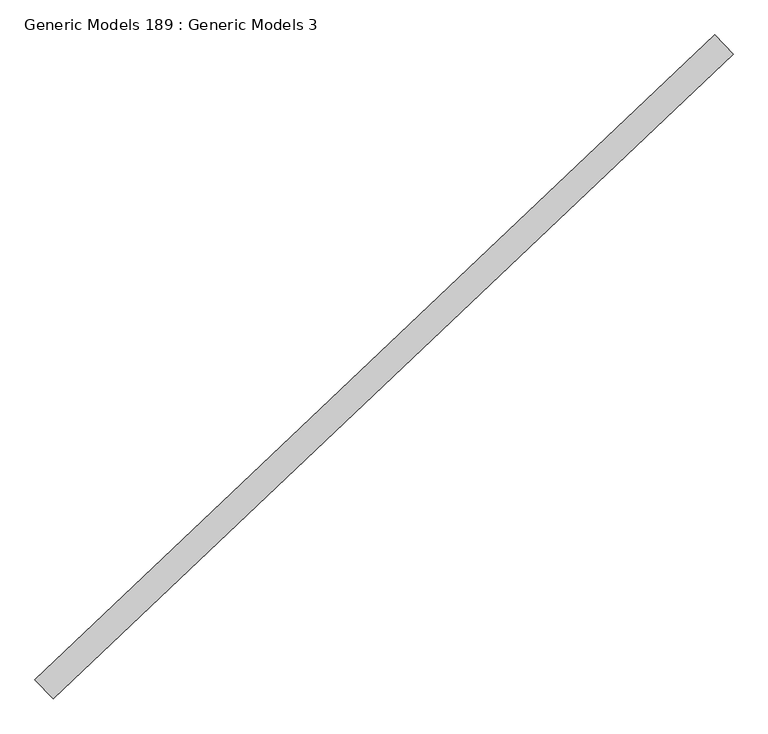
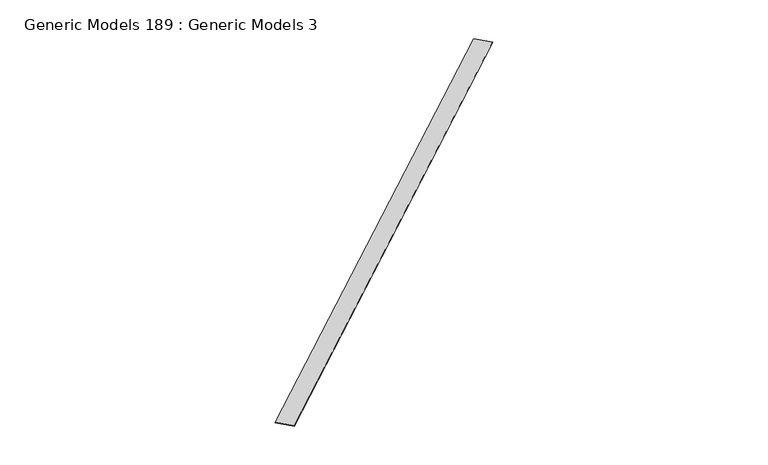
"""IFC4 building model written with IfcOpenShell, lengths in millimetres: proxy geometry, Generic Models 189 : Generic Models 3."""

from ifc_helpers import new_model, si_unit, frame, origin, place, context, project, spatial, polyline, outline, extrude, source, transform, mapped, element, save


def generic_models_189_generic_models_3_72cc2f96(model_context):
    return source(origin(), model_context, "Body", "SweptSolid", [
        extrude(outline(polyline([(111545.1799722, 51465.3870343), (111633.6602493, 51372.1482768), (108347.1884522, 48253.4029918), (108258.7081751, 48346.6417493), (111545.1799722, 51465.3870343)])), frame((0.0, 0.0, 18013.9173111), z_axis=(0.0, 0.0, 1.0), x_axis=(1.0, 0.0, 0.0)), (0.0, 0.0, 1.0), 3.3689262),
    ])


if __name__ == "__main__":
    model = new_model("IFC4")
    model_context = context("Model", 3, world=origin())
    ifc_project = project(units=[si_unit("LENGTHUNIT", "METRE", prefix="MILLI")], contexts=[model_context])
    site = spatial("IfcSite", under=ifc_project)
    building = spatial("IfcBuilding", under=site)
    placement = place(None, origin())
    generic_models_189_generic_models_3_shape = generic_models_189_generic_models_3_72cc2f96(model_context)
    element("IfcBuildingElementProxy", 1, Name="Generic Models 189 : Generic Models 3", ObjectType="Generic Models 189 : Generic Models 3", at=placement, inside=building, context=model_context, shape_type="MappedRepresentation", body=[
        mapped(generic_models_189_generic_models_3_shape, transform((0.0, 0.0, 0.0), x_axis=(1.0, 0.0, 0.0), y_axis=(0.0, 1.0, 0.0), z_axis=(0.0, 0.0, 1.0))),
    ])
    save(model, "model.ifc")
